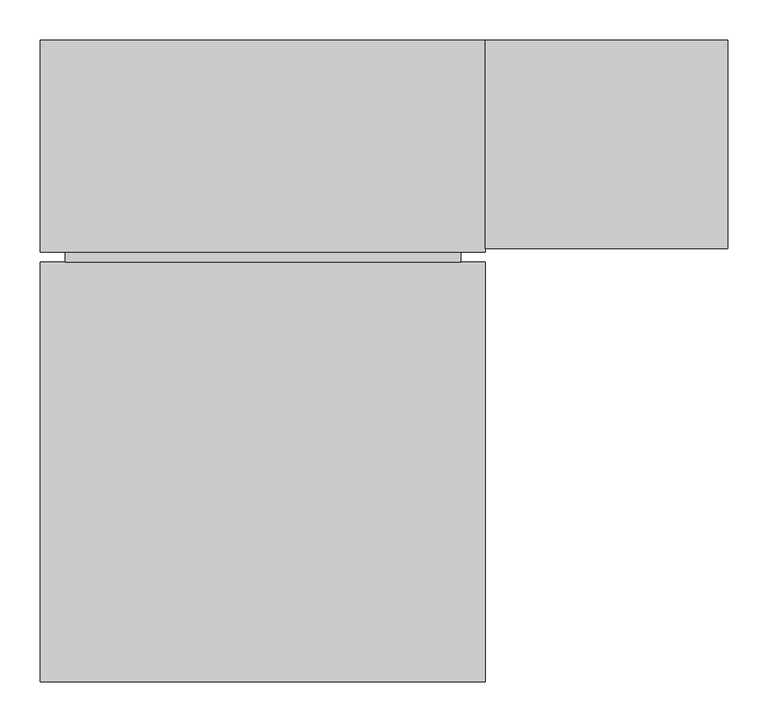
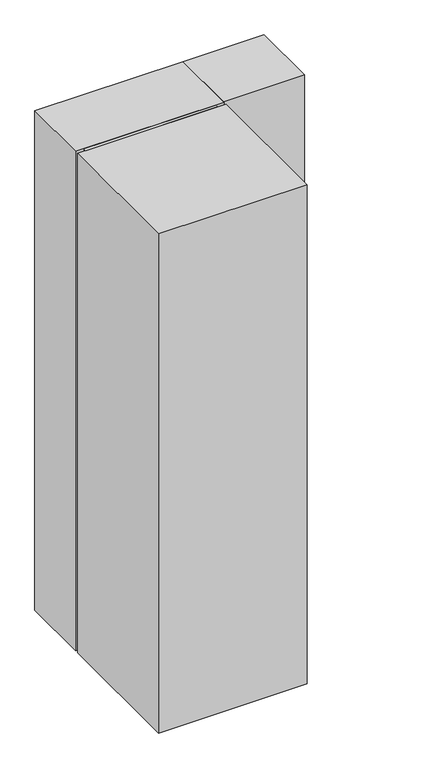
"""IFC4 building model written with IfcOpenShell, lengths in millimetres: proxy geometry."""

from ifc_helpers import new_model, si_unit, frame, origin, origin_with_axes, place, context, project, spatial, polyline, outline, extrude, source, transform, mapped, element, save


def specialty_equipment_8c62514c(model_context):
    return source(origin(), model_context, "Body", "SweptSolid", [
        extrude(outline(polyline([(275.0, 276.1), (275.0, 534.1), (575.0, 534.1), (575.0, 276.1), (275.0, 276.1)])), frame((0.0, 0.0, 180.0), z_axis=(0.0, 0.0, 1.0), x_axis=(1.0, 0.0, 0.0)), (0.0, 0.0, 1.0), 1775.0),
        extrude(outline(polyline([(275.0, 534.1), (275.0, 272.1), (-275.0, 272.1), (-275.0, 534.1), (275.0, 534.1)])), origin_with_axes(), (0.0, 0.0, 1.0), 1955.0),
        extrude(outline(polyline([(244.7755311, 260.0), (-244.5481133, 260.0), (-244.5481133, 272.1), (244.7755311, 272.1), (244.7755311, 260.0)])), origin_with_axes(), (0.0, 0.0, 1.0), 1955.0),
        extrude(outline(polyline([(275.0, 260.0), (275.0, -260.0), (-275.0, -260.0), (-275.0, 260.0), (275.0, 260.0)])), origin_with_axes(), (0.0, 0.0, 1.0), 1955.0),
    ])


if __name__ == "__main__":
    model = new_model("IFC4")
    model_context = context("Model", 3, world=origin())
    ifc_project = project(units=[si_unit("LENGTHUNIT", "METRE", prefix="MILLI")], contexts=[model_context])
    site = spatial("IfcSite", under=ifc_project)
    building = spatial("IfcBuilding", under=site)
    placement = place(None, origin())
    specialty_equipment_shape = specialty_equipment_8c62514c(model_context)
    element("IfcBuildingElementProxy", 1, Name="Specialty Equipment", at=placement, inside=building, context=model_context, shape_type="MappedRepresentation", body=[
        mapped(specialty_equipment_shape, transform((0.0, 0.0, 0.0), x_axis=(1.0, 0.0, 0.0), y_axis=(0.0, 1.0, 0.0), z_axis=(0.0, 0.0, 1.0))),
    ])
    save(model, "model.ifc")
